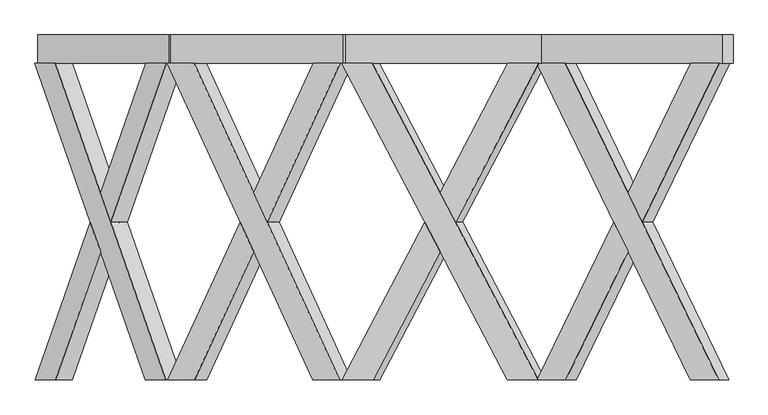
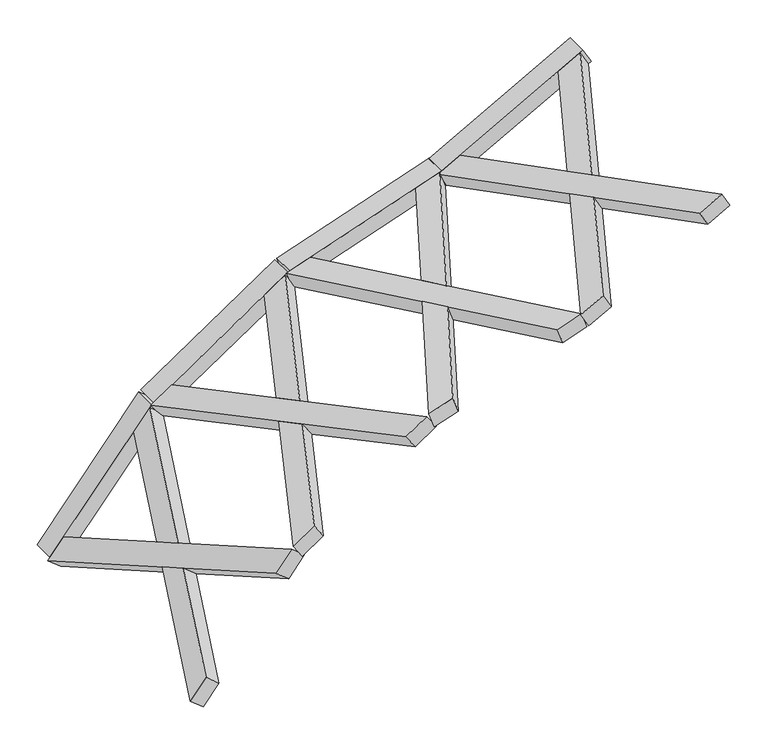
"""IFC4 building model written with IfcOpenShell, lengths in millimetres: proxy geometry."""

from ifc_helpers import new_model, si_unit, frame, origin, place, context, project, spatial, polyline, outline, extrude, faceted_brep, source, transform, mapped, element, save


def generic_models_ad5ca5d2(model_context):
    return source(origin(), model_context, "Body", "SolidModel", [
        faceted_brep([(4798.3898137, -100.0, 3054.9874339), (3722.2657653, -2319.6837757, 2458.4821334), (3522.2657653, -2319.6837757, 2347.6203232), (4598.3898137, -100.0, 2944.1256237), (3449.5443223, -2319.6837757, 2478.8132792), (3649.5443223, -2319.6837757, 2589.6750895), (4085.5328207, -1420.3854116, 2831.3474605), (3985.5328207, -1214.1188776, 2775.9165554), (4725.6683707, -100.0, 3186.18039), (4525.6683707, -100.0, 3075.3185797), (4085.5328207, -1007.8523437, 2831.3474605), (4185.5328207, -1214.1188776, 2886.7783657), (4021.8935422, -1214.1188776, 2710.3200773), (4121.8935422, -1007.8523437, 2765.7509825), (4221.8935422, -1214.1188776, 2821.1818876), (4121.8935422, -1420.3854116, 2765.7509825)], [[[0, 1, 2, 3]], [[4, 5, 6, 7]], [[8, 9, 10, 11]], [[0, 3, 9, 8]], [[3, 2, 4, 7, 12, 13, 10, 9]], [[2, 1, 5, 4]], [[1, 0, 8, 11, 14, 15, 6, 5]], [[12, 15, 14, 13]], [[13, 14, 11, 10]], [[15, 12, 7, 6]]]),
        faceted_brep([(3518.1187138, -100.0, 2345.3215749), (3718.1187138, -100.0, 2456.1833852), (4158.2542638, -1007.8523437, 2700.1545044), (4058.2542638, -1214.1188776, 2644.7235993), (4794.2427622, -2319.6837757, 3052.6886857), (4594.2427622, -2319.6837757, 2941.8268754), (4158.2542638, -1420.3854116, 2700.1545044), (4258.2542638, -1214.1188776, 2755.5854096), (3445.3972707, -100.0, 2476.514531), (4521.5213191, -2319.6837757, 3073.0198315), (4721.5213191, -2319.6837757, 3183.8816418), (3645.3972707, -100.0, 2587.3763413), (4221.8935422, -1214.1188776, 2821.1818876), (4121.8935422, -1007.8523437, 2765.7509825), (4021.8935422, -1214.1188776, 2710.3200773), (4121.8935422, -1420.3854116, 2765.7509825)], [[[0, 1, 2, 3]], [[4, 5, 6, 7]], [[8, 9, 10, 11]], [[1, 0, 8, 11]], [[11, 10, 4, 7, 12, 13, 2, 1]], [[5, 4, 10, 9]], [[9, 8, 0, 3, 14, 15, 6, 5]], [[12, 15, 14, 13]], [[13, 14, 3, 2]], [[15, 12, 7, 6]]]),
        extrude(outline(polyline([(0.0, -200.0), (0.0, 0.0), (1460.0, 0.0), (1460.0, -200.0), (0.0, -200.0)])), frame((4822.9652412, -100.0, 3068.6098158), z_axis=(-0.48480962024633406, 0.0, 0.8746197071393974), x_axis=(-0.8746197071393974, 0.0, -0.48480962024633406)), (0.0, 0.0, 1.0), 150.0),
        faceted_brep([(3507.5097855, -100.0, 2346.322406), (2344.1524211, -2319.6837757, 1945.7463413), (2127.9399192, -2319.6837757, 1871.2984066), (3291.2972836, -100.0, 2271.8744713), (2079.104696, -2319.6837757, 2013.1261929), (2295.3171979, -2319.6837757, 2087.5741277), (2766.6480182, -1420.3854116, 2249.8663441), (2658.5417672, -1214.1188776, 2212.6423767), (3458.6745624, -100.0, 2488.1501924), (3242.4620604, -100.0, 2413.7022576), (2766.6480182, -1007.8523437, 2249.8663441), (2874.7542692, -1214.1188776, 2287.0903115), (2682.9593788, -1214.1188776, 2141.7284835), (2791.0656298, -1007.8523437, 2178.9524509), (2899.1718807, -1214.1188776, 2216.1764183), (2791.0656298, -1420.3854116, 2178.9524509)], [[[0, 1, 2, 3]], [[4, 5, 6, 7]], [[8, 9, 10, 11]], [[0, 3, 9, 8]], [[3, 2, 4, 7, 12, 13, 10, 9]], [[2, 1, 5, 4]], [[1, 0, 8, 11, 14, 15, 6, 5]], [[12, 15, 14, 13]], [[13, 14, 11, 10]], [[15, 12, 7, 6]]]),
        faceted_brep([(2123.4566972, -100.0, 1869.7547095), (2339.6691991, -100.0, 1944.2026442), (2815.4832414, -1007.8523437, 2108.0385577), (2707.3769904, -1214.1188776, 2070.8145904), (3503.0265636, -2319.6837757, 2344.7787089), (3286.8140616, -2319.6837757, 2270.3307742), (2815.4832414, -1420.3854116, 2108.0385577), (2923.5894923, -1214.1188776, 2145.2625251), (2074.621474, -100.0, 2011.5824958), (3237.9788385, -2319.6837757, 2412.1585605), (3454.1913404, -2319.6837757, 2486.6064953), (2290.8339759, -100.0, 2086.0304305), (2899.1718807, -1214.1188776, 2216.1764183), (2791.0656298, -1007.8523437, 2178.9524509), (2682.9593788, -1214.1188776, 2141.7284835), (2791.0656298, -1420.3854116, 2178.9524509)], [[[0, 1, 2, 3]], [[4, 5, 6, 7]], [[8, 9, 10, 11]], [[1, 0, 8, 11]], [[11, 10, 4, 7, 12, 13, 2, 1]], [[5, 4, 10, 9]], [[9, 8, 0, 3, 14, 15, 6, 5]], [[12, 15, 14, 13]], [[13, 14, 3, 2]], [[15, 12, 7, 6]]]),
        extrude(outline(polyline([(0.0, -200.0), (0.0, 0.0), (1460.0, 0.0), (1460.0, -200.0), (0.0, -200.0)])), frame((3534.0773588, -100.0, 2355.4703551), z_axis=(-0.3255681544571539, 0.0, 0.9455185755993178), x_axis=(-0.9455185755993178, 0.0, -0.3255681544571539)), (0.0, 0.0, 1.0), 150.0),
        faceted_brep([(2147.8474529, -100.0, 1873.1644906), (1127.8072439, -2319.6837757, 1185.1386821), (938.2305477, -2319.6837757, 1057.267586), (1958.2707567, -100.0, 1745.2933944), (854.3516122, -2319.6837757, 1181.6232218), (1043.9283084, -2319.6837757, 1309.494318), (1457.194604, -1420.3854116, 1588.2459541), (1362.4062559, -1214.1188776, 1524.310406), (2063.9685174, -100.0, 1997.5201265), (1874.3918212, -100.0, 1869.6490303), (1457.194604, -1007.8523437, 1588.2459541), (1551.9829521, -1214.1188776, 1652.1815022), (1404.3457236, -1214.1188776, 1462.1325881), (1499.1340717, -1007.8523437, 1526.0681362), (1593.9224198, -1214.1188776, 1590.0036842), (1499.1340717, -1420.3854116, 1526.0681362)], [[[0, 1, 2, 3]], [[4, 5, 6, 7]], [[8, 9, 10, 11]], [[0, 3, 9, 8]], [[3, 2, 4, 7, 12, 13, 10, 9]], [[2, 1, 5, 4]], [[1, 0, 8, 11, 14, 15, 6, 5]], [[12, 15, 14, 13]], [[13, 14, 11, 10]], [[15, 12, 7, 6]]]),
        faceted_brep([(934.2996261, -100.0, 1054.6161458), (1123.8763223, -100.0, 1182.487242), (1541.0735395, -1007.8523437, 1463.8903182), (1446.2851914, -1214.1188776, 1399.9547701), (2143.9165312, -2319.6837757, 1870.5130505), (1954.339835, -2319.6837757, 1742.6419543), (1541.0735395, -1420.3854116, 1463.8903182), (1635.8618876, -1214.1188776, 1527.8258663), (850.4206905, -100.0, 1178.9717817), (1870.4608995, -2319.6837757, 1866.9975902), (2060.0375957, -2319.6837757, 1994.8686863), (1039.9973867, -100.0, 1306.8428779), (1593.9224198, -1214.1188776, 1590.0036842), (1499.1340717, -1007.8523437, 1526.0681362), (1404.3457236, -1214.1188776, 1462.1325881), (1499.1340717, -1420.3854116, 1526.0681362)], [[[0, 1, 2, 3]], [[4, 5, 6, 7]], [[8, 9, 10, 11]], [[1, 0, 8, 11]], [[11, 10, 4, 7, 12, 13, 2, 1]], [[5, 4, 10, 9]], [[9, 8, 0, 3, 14, 15, 6, 5]], [[12, 15, 14, 13]], [[13, 14, 3, 2]], [[15, 12, 7, 6]]]),
        extrude(outline(polyline([(0.0, -200.0), (0.0, 0.0), (1460.0, 0.0), (1460.0, -200.0), (0.0, -200.0)])), frame((2171.1420946, -100.0, 1888.8769249), z_axis=(-0.5591929034707466, 0.0, 0.829037572555042), x_axis=(-0.829037572555042, 0.0, -0.5591929034707466)), (0.0, 0.0, 1.0), 150.0),
        faceted_brep([(959.4108126, -100.0, 1065.5975047), (185.100788, -2319.6837757, 109.4042571), (41.1935821, -2319.6837757, -68.3063422), (815.5036067, -100.0, 887.8869054), (-75.3783121, -2319.6837757, 26.0917164), (68.5288937, -2319.6837757, 203.8023157), (382.2383266, -1420.3854116, 591.2012023), (310.2847237, -1214.1188776, 502.3459027), (842.8389183, -100.0, 1159.9955634), (698.9317125, -100.0, 982.2849641), (382.2383266, -1007.8523437, 591.2012023), (454.1919295, -1214.1188776, 680.056502), (368.5706708, -1214.1188776, 455.1468734), (440.5242737, -1007.8523437, 544.002173), (512.4778766, -1214.1188776, 632.8574727), (440.5242737, -1420.3854116, 544.002173)], [[[0, 1, 2, 3]], [[4, 5, 6, 7]], [[8, 9, 10, 11]], [[0, 3, 9, 8]], [[3, 2, 4, 7, 12, 13, 10, 9]], [[2, 1, 5, 4]], [[1, 0, 8, 11, 14, 15, 6, 5]], [[12, 15, 14, 13]], [[13, 14, 11, 10]], [[15, 12, 7, 6]]]),
        faceted_brep([(38.2096291, -100.0, -71.9912173), (182.1168349, -100.0, 105.719382), (498.8102208, -1007.8523437, 496.8031437), (426.8566179, -1214.1188776, 407.9478441), (956.4268595, -2319.6837757, 1061.9126296), (812.5196537, -2319.6837757, 884.2020303), (498.8102208, -1420.3854116, 496.8031437), (570.7638238, -1214.1188776, 585.6584433), (-78.3622651, -100.0, 22.4068413), (695.9477595, -2319.6837757, 978.600089), (839.8549653, -2319.6837757, 1156.3106883), (65.5449407, -100.0, 200.1174406), (512.4778766, -1214.1188776, 632.8574727), (440.5242737, -1007.8523437, 544.002173), (368.5706708, -1214.1188776, 455.1468734), (440.5242737, -1420.3854116, 544.002173)], [[[0, 1, 2, 3]], [[4, 5, 6, 7]], [[8, 9, 10, 11]], [[1, 0, 8, 11]], [[11, 10, 4, 7, 12, 13, 2, 1]], [[5, 4, 10, 9]], [[9, 8, 0, 3, 14, 15, 6, 5]], [[12, 15, 14, 13]], [[13, 14, 3, 2]], [[15, 12, 7, 6]]]),
        extrude(outline(polyline([(-148.3871943, 0.0), (-148.3871943, -149.9999999), (-348.3871943, -149.9999999), (-348.3871943, 0.0), (-148.3871943, 0.0)])), frame((58.2859471, -248.3871943, -47.1990293), z_axis=(0.6293203910498382, 0.0, 0.7771459614569702), x_axis=(0.0, -1.0, 0.0)), (0.0, 0.0, 1.0), 1460.0),
    ])


if __name__ == "__main__":
    model = new_model("IFC4")
    model_context = context("Model", 3, world=origin())
    ifc_project = project(units=[si_unit("LENGTHUNIT", "METRE", prefix="MILLI")], contexts=[model_context])
    site = spatial("IfcSite", under=ifc_project)
    building = spatial("IfcBuilding", under=site)
    placement = place(None, origin())
    generic_models_shape = generic_models_ad5ca5d2(model_context)
    element("IfcBuildingElementProxy", 1, Name="Generic Models", at=placement, inside=building, context=model_context, shape_type="MappedRepresentation", body=[
        mapped(generic_models_shape, transform((0.0, 0.0, 0.0), x_axis=(1.0, 0.0, 0.0), y_axis=(0.0, 1.0, 0.0), z_axis=(0.0, 0.0, 1.0))),
    ])
    save(model, "model.ifc")
